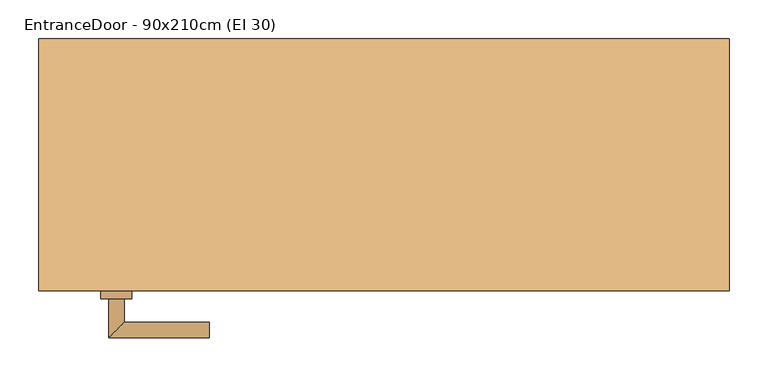
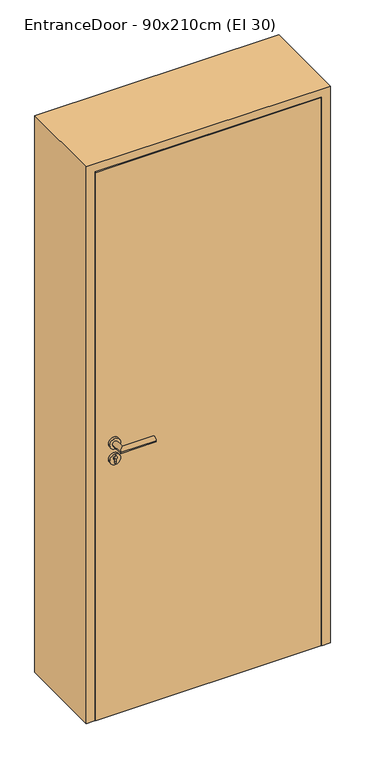
"""IFC4 building model written with IfcOpenShell, lengths in millimetres: door geometry, EntranceDoor - 90x210cm (EI 30)."""

from ifc_helpers import new_model, si_unit, point, frame, frame_2d, origin, origin_with_axes, place, context, project, spatial, polyline, circle_curve, ellipse_curve, trimmed, segment, composite_curve, outline, extrude, faceted_brep, source, transform, mapped, element, save
from ifc_brep_helpers import plane_surface, cylinder_surface, advanced_brep


def entrancedoor_90x210cm_ei_30_07e1e4c3(model_context):
    return source(origin(), model_context, "Body", "SolidModel", [
        extrude(outline(polyline([(411.0, -125.0), (-411.0, -125.0), (-411.0, -80.0), (411.0, -80.0), (411.0, -125.0)])), origin_with_axes(), (0.0, 0.0, 1.0), 2111.0),
        advanced_brep(
        [(-335.0, -135.0, 1050.0), (-355.0, -135.0, 1050.0), (-355.0, -185.0, 1050.0), (-335.0, -165.0, 1050.0), (-225.0, -165.0, 1050.0), (-225.0, -185.0, 1050.0)],
        [
            (0, 1, circle_curve(frame((-345.0, -135.0, 1050.0), z_axis=(0.0, 1.0, 0.0), x_axis=(-1.0, 0.0, 0.0)), 10.0)),
            (1, 0, circle_curve(frame((-345.0, -135.0, 1050.0), z_axis=(0.0, 1.0, 0.0), x_axis=(-1.0, 0.0, 0.0)), 10.0)),
            (1, 2),
            (2, 3, ellipse_curve(frame((-345.0, -175.0, 1050.0), z_axis=(-0.7071067811865531, 0.7071067811865419, 0.0), x_axis=(0.707106781186542, 0.707106781186553, 0.0)), 14.1421356, 10.0)),
            (3, 0),
            (3, 2, ellipse_curve(frame((-345.0, -175.0, 1050.0), z_axis=(-0.7071067811865531, 0.7071067811865419, 0.0), x_axis=(0.707106781186542, 0.707106781186553, 0.0)), 14.1421356, 10.0)),
            (4, 5, circle_curve(frame((-225.0, -175.0, 1050.0), z_axis=(1.0, 0.0, 0.0), x_axis=(0.0, -1.0, 0.0)), 10.0)),
            (5, 4, circle_curve(frame((-225.0, -175.0, 1050.0), z_axis=(1.0, 0.0, 0.0), x_axis=(0.0, -1.0, 0.0)), 10.0)),
            (2, 5),
            (4, 3),
        ],
        [
            plane_surface(frame((-345.0, -135.0, 1050.0), z_axis=(0.0, 1.0, 0.0), x_axis=(0.0, 0.0, 1.0))),
            cylinder_surface(frame((-345.0, -135.0, 1050.0), z_axis=(0.0, 1.0, 0.0), x_axis=(-1.0, 0.0, 0.0)), 10.0),
            plane_surface(frame((-225.0, -175.0, 1050.0), z_axis=(1.0, 0.0, 0.0), x_axis=(0.0, 0.0, 1.0))),
            cylinder_surface(frame((-345.0, -175.0, 1050.0), z_axis=(-1.0, 0.0, 0.0), x_axis=(0.0, -1.0, 0.0)), 10.0),
        ],
        [
            (0, [[1, 2]]),
            (1, [[3, 4, 5, -2]]),
            (1, [[-5, 6, -3, -1]]),
            (2, [[7, 8]]),
            (3, [[9, -7, 10, -4]]),
            (3, [[-10, -8, -9, -6]]),
        ],
    ),
        extrude(outline(composite_curve([segment(trimmed(circle_curve(frame_2d((990.0, -345.0)), 20.0), [point((990.0, -365.0))], [point((990.0, -325.0))], False, "CARTESIAN"), True, "CONTINUOUS"), segment(trimmed(circle_curve(frame_2d((990.0, -345.0)), 20.0), [point((990.0, -325.0))], [point((990.0, -365.0))], False, "CARTESIAN"), True, "CONTINUOUS")], self_intersect=False), holes=[composite_curve([segment(polyline([(976.4601385, -347.397268), (988.4749012, -347.397268)]), True, "CONTINUOUS"), segment(trimmed(circle_curve(frame_2d((995.0361633, -345.0)), 6.9854888), [point((988.4749012, -347.397268))], [point((988.4749012, -342.602732))], True, "CARTESIAN"), True, "CONTINUOUS"), segment(polyline([(988.4749012, -342.602732), (976.4601385, -342.602732)]), True, "CONTINUOUS"), segment(trimmed(circle_curve(frame_2d((976.4601385, -345.0)), 2.397268), [point((976.4601385, -342.602732))], [point((976.4601385, -347.397268))], True, "CARTESIAN"), True, "CONTINUOUS")], self_intersect=False)]), frame((0.0, -135.0, 0.0), z_axis=(0.0, 1.0, 0.0), x_axis=(0.0, 0.0, 1.0)), (0.0, 0.0, 1.0), 10.0),
        advanced_brep(
        [(-335.0, -135.0, 1050.0), (-355.0, -135.0, 1050.0), (-355.0, -185.0, 1050.0), (-335.0, -165.0, 1050.0), (-225.0, -165.0, 1050.0), (-225.0, -185.0, 1050.0)],
        [
            (0, 1, circle_curve(frame((-345.0, -135.0, 1050.0), z_axis=(0.0, 1.0, 0.0), x_axis=(-1.0, 0.0, 0.0)), 10.0)),
            (1, 0, circle_curve(frame((-345.0, -135.0, 1050.0), z_axis=(0.0, 1.0, 0.0), x_axis=(-1.0, 0.0, 0.0)), 10.0)),
            (1, 2),
            (2, 3, ellipse_curve(frame((-345.0, -175.0, 1050.0), z_axis=(-0.7071067811865537, 0.7071067811865414, 0.0), x_axis=(0.7071067811865414, 0.7071067811865536, 0.0)), 14.1421356, 10.0)),
            (3, 0),
            (3, 2, ellipse_curve(frame((-345.0, -175.0, 1050.0), z_axis=(-0.7071067811865537, 0.7071067811865414, 0.0), x_axis=(0.7071067811865414, 0.7071067811865536, 0.0)), 14.1421356, 10.0)),
            (4, 5, circle_curve(frame((-225.0, -175.0, 1050.0), z_axis=(1.0, 0.0, 0.0), x_axis=(0.0, -1.0, 0.0)), 10.0)),
            (5, 4, circle_curve(frame((-225.0, -175.0, 1050.0), z_axis=(1.0, 0.0, 0.0), x_axis=(0.0, -1.0, 0.0)), 10.0)),
            (2, 5),
            (4, 3),
        ],
        [
            plane_surface(frame((-345.0, -135.0, 1050.0), z_axis=(0.0, 1.0, 0.0), x_axis=(0.0, 0.0, 1.0))),
            cylinder_surface(frame((-345.0, -135.0, 1050.0), z_axis=(0.0, 1.0, 0.0), x_axis=(-1.0, 0.0, 0.0)), 10.0),
            plane_surface(frame((-225.0, -175.0, 1050.0), z_axis=(1.0, 0.0, 0.0), x_axis=(0.0, 0.0, 1.0))),
            cylinder_surface(frame((-345.0, -175.0, 1050.0), z_axis=(-1.0, 0.0, 0.0), x_axis=(0.0, -1.0, 0.0)), 10.0),
        ],
        [
            (0, [[1, 2]]),
            (1, [[3, 4, 5, -2]]),
            (1, [[-5, 6, -3, -1]]),
            (2, [[7, 8]]),
            (3, [[9, -7, 10, -4]]),
            (3, [[-10, -8, -9, -6]]),
        ],
    ),
        extrude(outline(composite_curve([segment(trimmed(circle_curve(frame_2d((1050.0, -345.0)), 20.0), [point((1050.0, -365.0))], [point((1050.0, -325.0))], False, "CARTESIAN"), True, "CONTINUOUS"), segment(trimmed(circle_curve(frame_2d((1050.0, -345.0)), 20.0), [point((1050.0, -325.0))], [point((1050.0, -365.0))], False, "CARTESIAN"), True, "CONTINUOUS")], self_intersect=False)), frame((0.0, -135.0, 0.0), z_axis=(0.0, 1.0, 0.0), x_axis=(0.0, 0.0, 1.0)), (0.0, 0.0, 1.0), 10.0),
        advanced_brep(
        [(-335.0, -70.0, 1050.0), (-355.0, -70.0, 1050.0), (-335.0, -40.0, 1050.0), (-355.0, -20.0, 1050.0), (-225.0, -40.0, 1050.0), (-225.0, -20.0, 1050.0)],
        [
            (0, 1, circle_curve(frame((-345.0, -70.0, 1050.0), z_axis=(0.0, -1.0, 0.0), x_axis=(-1.0, 0.0, 0.0)), 10.0)),
            (1, 0, circle_curve(frame((-345.0, -70.0, 1050.0), z_axis=(0.0, -1.0, 0.0), x_axis=(-1.0, 0.0, 0.0)), 10.0)),
            (0, 2),
            (2, 3, ellipse_curve(frame((-345.0, -30.0, 1050.0), z_axis=(-0.7071067811865486, -0.7071067811865464, 0.0), x_axis=(0.7071067811865464, -0.7071067811865488, 0.0)), 14.1421356, 10.0)),
            (3, 1),
            (3, 2, ellipse_curve(frame((-345.0, -30.0, 1050.0), z_axis=(-0.7071067811865486, -0.7071067811865464, 0.0), x_axis=(0.7071067811865464, -0.7071067811865488, 0.0)), 14.1421356, 10.0)),
            (4, 5, circle_curve(frame((-225.0, -30.0, 1050.0), z_axis=(1.0, 0.0, 0.0), x_axis=(0.0, 1.0, 0.0)), 10.0)),
            (5, 4, circle_curve(frame((-225.0, -30.0, 1050.0), z_axis=(1.0, 0.0, 0.0), x_axis=(0.0, 1.0, 0.0)), 10.0)),
            (2, 4),
            (5, 3),
        ],
        [
            plane_surface(frame((-345.0, -70.0, 1050.0), z_axis=(0.0, -1.0, 0.0), x_axis=(0.0, 0.0, 1.0))),
            cylinder_surface(frame((-345.0, -70.0, 1050.0), z_axis=(0.0, -1.0, 0.0), x_axis=(-1.0, 0.0, 0.0)), 10.0),
            plane_surface(frame((-225.0, -30.0, 1050.0), z_axis=(1.0, 0.0, 0.0), x_axis=(0.0, 0.0, 1.0))),
            cylinder_surface(frame((-345.0, -30.0, 1050.0), z_axis=(-1.0, 0.0, 0.0), x_axis=(0.0, 1.0, 0.0)), 10.0),
        ],
        [
            (0, [[1, 2]]),
            (1, [[-1, 3, 4, 5]]),
            (1, [[-2, -5, 6, -3]]),
            (2, [[7, 8]]),
            (3, [[-4, 9, -8, 10]]),
            (3, [[-6, -10, -7, -9]]),
        ],
    ),
        extrude(outline(composite_curve([segment(trimmed(circle_curve(frame_2d((990.0, -345.0)), 20.0), [point((990.0, -365.0))], [point((990.0, -325.0))], False, "CARTESIAN"), True, "CONTINUOUS"), segment(trimmed(circle_curve(frame_2d((990.0, -345.0)), 20.0), [point((990.0, -325.0))], [point((990.0, -365.0))], False, "CARTESIAN"), True, "CONTINUOUS")], self_intersect=False), holes=[composite_curve([segment(polyline([(976.4601385, -347.397268), (988.4749012, -347.397268)]), True, "CONTINUOUS"), segment(trimmed(circle_curve(frame_2d((995.0361633, -345.0)), 6.9854888), [point((988.4749012, -347.397268))], [point((988.4749012, -342.602732))], True, "CARTESIAN"), True, "CONTINUOUS"), segment(polyline([(988.4749012, -342.602732), (976.4601385, -342.602732)]), True, "CONTINUOUS"), segment(trimmed(circle_curve(frame_2d((976.4601385, -345.0)), 2.397268), [point((976.4601385, -342.602732))], [point((976.4601385, -347.397268))], True, "CARTESIAN"), True, "CONTINUOUS")], self_intersect=False)]), frame((0.0, -80.0, 0.0), z_axis=(0.0, 1.0, 0.0), x_axis=(0.0, 0.0, 1.0)), (0.0, 0.0, 1.0), 10.0),
        advanced_brep(
        [(-335.0, -70.0, 1050.0), (-355.0, -70.0, 1050.0), (-335.0, -40.0, 1050.0), (-355.0, -20.0, 1050.0), (-225.0, -40.0, 1050.0), (-225.0, -20.0, 1050.0)],
        [
            (0, 1, circle_curve(frame((-345.0, -70.0, 1050.0), z_axis=(0.0, -1.0, 0.0), x_axis=(-1.0, 0.0, 0.0)), 10.0)),
            (1, 0, circle_curve(frame((-345.0, -70.0, 1050.0), z_axis=(0.0, -1.0, 0.0), x_axis=(-1.0, 0.0, 0.0)), 10.0)),
            (0, 2),
            (2, 3, ellipse_curve(frame((-345.0, -30.0, 1050.0), z_axis=(-0.7071067811865491, -0.7071067811865459, 0.0), x_axis=(0.7071067811865458, -0.7071067811865492, 0.0)), 14.1421356, 10.0)),
            (3, 1),
            (3, 2, ellipse_curve(frame((-345.0, -30.0, 1050.0), z_axis=(-0.7071067811865491, -0.7071067811865459, 0.0), x_axis=(0.7071067811865458, -0.7071067811865492, 0.0)), 14.1421356, 10.0)),
            (4, 5, circle_curve(frame((-225.0, -30.0, 1050.0), z_axis=(1.0, 0.0, 0.0), x_axis=(0.0, 1.0, 0.0)), 10.0)),
            (5, 4, circle_curve(frame((-225.0, -30.0, 1050.0), z_axis=(1.0, 0.0, 0.0), x_axis=(0.0, 1.0, 0.0)), 10.0)),
            (2, 4),
            (5, 3),
        ],
        [
            plane_surface(frame((-345.0, -70.0, 1050.0), z_axis=(0.0, -1.0, 0.0), x_axis=(0.0, 0.0, 1.0))),
            cylinder_surface(frame((-345.0, -70.0, 1050.0), z_axis=(0.0, -1.0, 0.0), x_axis=(-1.0, 0.0, 0.0)), 10.0),
            plane_surface(frame((-225.0, -30.0, 1050.0), z_axis=(1.0, 0.0, 0.0), x_axis=(0.0, 0.0, 1.0))),
            cylinder_surface(frame((-345.0, -30.0, 1050.0), z_axis=(-1.0, 0.0, 0.0), x_axis=(0.0, 1.0, 0.0)), 10.0),
        ],
        [
            (0, [[1, 2]]),
            (1, [[-1, 3, 4, 5]]),
            (1, [[-2, -5, 6, -3]]),
            (2, [[7, 8]]),
            (3, [[-4, 9, -8, 10]]),
            (3, [[-6, -10, -7, -9]]),
        ],
    ),
        extrude(outline(composite_curve([segment(trimmed(circle_curve(frame_2d((1050.0, -345.0)), 20.0), [point((1050.0, -365.0))], [point((1050.0, -325.0))], False, "CARTESIAN"), True, "CONTINUOUS"), segment(trimmed(circle_curve(frame_2d((1050.0, -345.0)), 20.0), [point((1050.0, -325.0))], [point((1050.0, -365.0))], False, "CARTESIAN"), True, "CONTINUOUS")], self_intersect=False)), frame((0.0, -80.0, 0.0), z_axis=(0.0, 1.0, 0.0), x_axis=(0.0, 0.0, 1.0)), (0.0, 0.0, 1.0), 10.0),
        faceted_brep([(-415.0, -125.0, 0.0), (-445.0, -125.0, 0.0), (-445.0, 200.0, 0.0), (-400.0, 200.0, 0.0), (-400.0, -80.0, 0.0), (-415.0, -80.0, 0.0), (-415.0, -125.0, 2115.0), (415.0, -125.0, 2115.0), (415.0, -125.0, 0.0), (445.0, -125.0, 0.0), (445.0, -125.0, 2145.0), (-445.0, -125.0, 2145.0), (-445.0, 200.0, 2145.0), (445.0, 200.0, 2145.0), (445.0, 200.0, 0.0), (400.0, 200.0, 0.0), (400.0, 200.0, 2100.0), (-400.0, 200.0, 2100.0), (-400.0, -80.0, 2100.0), (400.0, -80.0, 2100.0), (400.0, -80.0, 0.0), (415.0, -80.0, 0.0), (415.0, -80.0, 2115.0), (-415.0, -80.0, 2115.0)], [[[0, 1, 2, 3, 4, 5]], [[0, 6, 7, 8, 9, 10, 11, 1]], [[1, 11, 12, 2]], [[2, 12, 13, 14, 15, 16, 17, 3]], [[3, 17, 18, 4]], [[4, 18, 19, 20, 21, 22, 23, 5]], [[5, 23, 6, 0]], [[22, 21, 8, 7]], [[8, 21, 20, 15, 14, 9]], [[10, 9, 14, 13]], [[16, 15, 20, 19]], [[11, 10, 13, 12]], [[17, 16, 19, 18]], [[23, 22, 7, 6]]]),
    ])


if __name__ == "__main__":
    model = new_model("IFC4")
    model_context = context("Model", 3, world=origin())
    ifc_project = project(units=[si_unit("LENGTHUNIT", "METRE", prefix="MILLI")], contexts=[model_context])
    site = spatial("IfcSite", under=ifc_project)
    building = spatial("IfcBuilding", under=site)
    placement = place(None, origin())
    entrancedoor_90x210cm_ei_30_shape = entrancedoor_90x210cm_ei_30_07e1e4c3(model_context)
    element("IfcDoor", 1, ObjectType="EntranceDoor - 90x210cm (EI 30)", at=placement, inside=building, context=model_context, shape_type="MappedRepresentation", body=[
        mapped(entrancedoor_90x210cm_ei_30_shape, transform((0.0, 0.0, 0.0), x_axis=(1.0, 0.0, 0.0), y_axis=(0.0, 1.0, 0.0), z_axis=(0.0, 0.0, 1.0))),
    ])
    save(model, "model.ifc")
